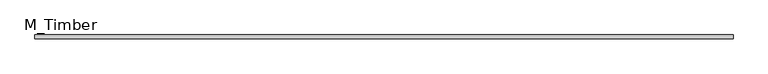
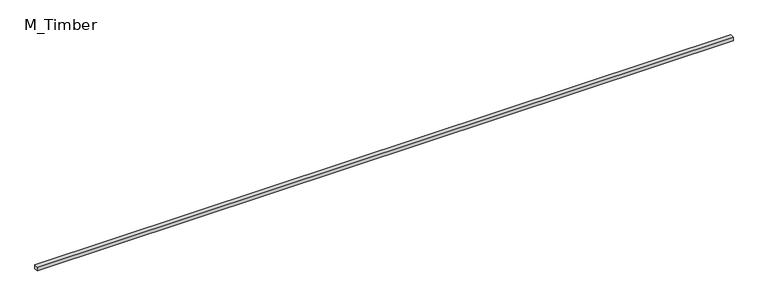
"""IFC4 building model written with IfcOpenShell, lengths in millimetres: beam geometry, M_Timber."""

from ifc_helpers import new_model, si_unit, frame, origin, place, context, project, spatial, polyline, outline, extrude, source, transform, mapped, element, save


def m_timber_16021826(model_context):
    return source(origin(), model_context, "Body", "SweptSolid", [
        extrude(outline(polyline([(5252.0311318, 30.0), (5252.0311318, -30.0), (-5252.0311318, -30.0), (-5252.0311318, 30.0), (5252.0311318, 30.0)])), frame((0.0, 0.0, -30.0), z_axis=(0.0, 0.0, 1.0), x_axis=(1.0, 0.0, 0.0)), (0.0, 0.0, 1.0), 60.0),
    ])


if __name__ == "__main__":
    model = new_model("IFC4")
    model_context = context("Model", 3, world=origin())
    ifc_project = project(units=[si_unit("LENGTHUNIT", "METRE", prefix="MILLI")], contexts=[model_context])
    site = spatial("IfcSite", under=ifc_project)
    building = spatial("IfcBuilding", under=site)
    placement = place(None, origin())
    m_timber_shape = m_timber_16021826(model_context)
    element("IfcBeam", 1, ObjectType="M_Timber", at=placement, inside=building, context=model_context, shape_type="MappedRepresentation", body=[
        mapped(m_timber_shape, transform((0.0, 0.0, 0.0), x_axis=(1.0, 0.0, 0.0), y_axis=(0.0, 1.0, 0.0), z_axis=(0.0, 0.0, 1.0))),
    ])
    save(model, "model.ifc")
